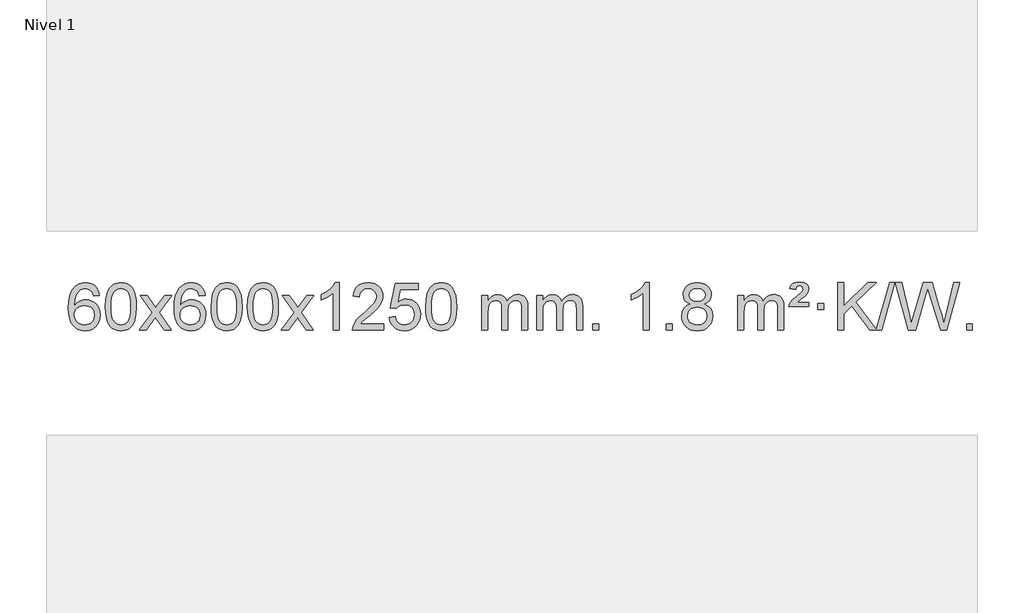
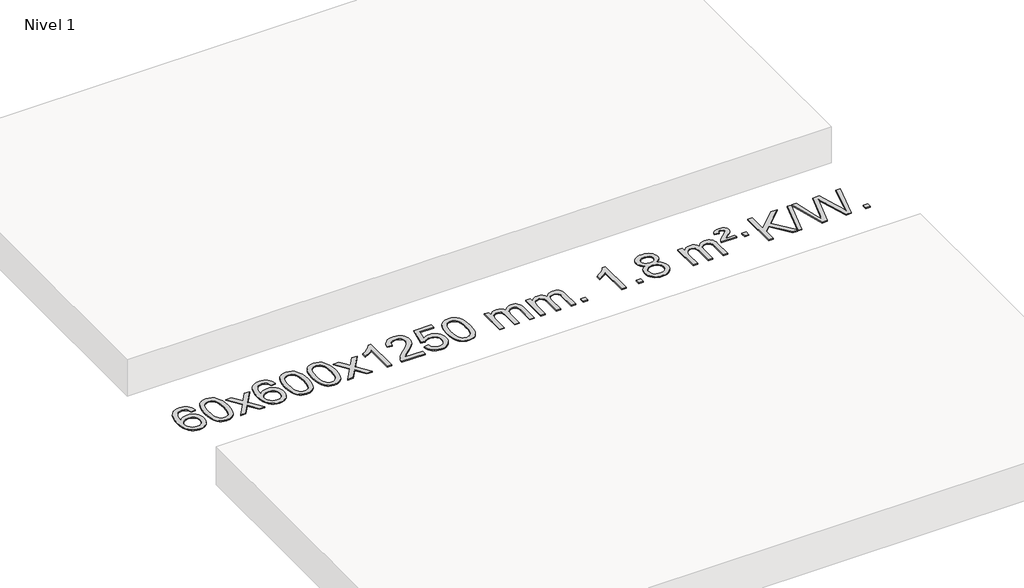
# One storey, part 7 of 7: 1 proxy.
"""IFC4 building model written with IfcOpenShell, lengths in millimetres."""

from ifc_helpers import new_model, si_unit, origin, origin_with_axes, place, context, project, spatial, polyline, outline, extrude, element, save

model = new_model("IFC4")

# Units and contexts
model_context = context("Model", 3, world=origin())
ifc_project = project(units=[si_unit("LENGTHUNIT", "METRE", prefix="MILLI")], contexts=[model_context])

# Site, building, storey
site = spatial("IfcSite", under=ifc_project)
building = spatial("IfcBuilding", under=site)
storey = spatial("IfcBuildingStorey", under=building, Name="Nivel 1", Elevation=0.0)

# Proxy
placement = place(None, origin())
element("IfcBuildingElementProxy", 1, Name="Texto de modelo 1", ObjectType="Texto de modelo 1", at=placement, inside=storey, context=model_context, shape_type="SweptSolid", body=[
    extrude(outline(polyline([(-12868.7310862, -689.5264458), (-12918.9592412, -695.8049652), (-12927.0526451, -670.9116168), (-12937.9910031, -653.9154687), (-12960.7751614, -638.2436957), (-12988.3172601, -633.0197713), (-13011.665504, -636.0609292), (-13033.6403219, -645.1844027), (-13052.5126682, -664.4001055), (-13067.9269238, -690.850821), (-13078.3379843, -728.2644199), (-13082.2007452, -780.3687731), (-13062.0530746, -756.8611137), (-13037.907753, -740.2941611), (-13011.113681, -730.4717119), (-12983.0197593, -727.1975621), (-12958.8867005, -729.4355109), (-12936.617577, -736.1493573), (-12916.212389, -747.3391013), (-12897.6711365, -763.004743), (-12882.2630122, -782.2143145), (-12871.2572092, -804.0358482), (-12864.6537274, -828.469344), (-12862.4525668, -855.514802), (-12866.5973706, -891.4813984), (-12879.031782, -924.8237699), (-12898.7257315, -953.1016326), (-12924.6491494, -973.8747026), (-12955.6248134, -986.6402078), (-12990.4755011, -990.8953763), (-13020.4180298, -988.0749476), (-13047.4604222, -979.6136617), (-13071.6026781, -965.5115186), (-13092.8447976, -945.7685182), (-13110.1628426, -919.5507947), (-13122.5328746, -886.0244822), (-13129.9548939, -845.1895807), (-13132.4289003, -797.0460903), (-13129.6820481, -743.0716702), (-13121.4414914, -697.006713), (-13107.7072302, -658.8512188), (-13088.4792646, -628.6051874), (-13067.6387496, -608.56175), (-13043.4750339, -594.2450091), (-13015.9881175, -585.6549645), (-12985.1780004, -582.7916163), (-12962.0443542, -584.5635812), (-12941.1057374, -589.879476), (-12922.3621497, -598.7393008), (-12905.8135913, -611.1430554), (-12891.9076519, -626.6738069), (-12881.0919212, -644.9146225), (-12873.3663993, -665.8655021), (-12868.7310862, -689.5264458)]), holes=[polyline([(-13082.2007452, -854.7299871), (-13079.2944775, -876.9868478), (-13070.5756742, -898.2381644), (-13057.0376168, -916.5096368), (-13039.6735866, -929.8269651), (-13018.7165756, -937.9571571), (-12994.3995757, -940.6672212), (-12961.253408, -935.0508894), (-12947.3382715, -928.0304746), (-12935.1951, -918.201894), (-12925.3450595, -905.9636863), (-12918.3093164, -891.7143904), (-12912.6807219, -857.1825337), (-12918.23574, -824.036366), (-12925.1795126, -810.4155351), (-12934.9007944, -798.7628729), (-12947.0807541, -789.4278673), (-12961.4005608, -782.7600061), (-12996.4597149, -777.4257172), (-13029.5568317, -782.7600061), (-13057.2338205, -798.7628729), (-13068.1568501, -810.2622509), (-13075.9590141, -823.4232293), (-13080.6403124, -838.245808), (-13082.2007452, -854.7299871)])]), origin_with_axes(), (0.0, 0.0, 1.0), 10.0),
    extrude(outline(polyline([(-12818.5029311, -786.9415981), (-12814.8118484, -722.6235626), (-12803.7386004, -671.3285498), (-12785.3935515, -632.2717446), (-12773.5354886, -617.0383643), (-12759.8870665, -604.6683323), (-12744.4023002, -595.097269), (-12727.0352044, -588.2607953), (-12686.654024, -582.7916163), (-12655.7028855, -586.0289778), (-12627.9891085, -595.7410625), (-12604.8125428, -611.5477256), (-12587.4730381, -633.0688223), (-12574.3764391, -660.1204117), (-12563.9285904, -692.5185527), (-12557.0859853, -733.6600225), (-12554.805117, -786.9415981), (-12558.4594114, -850.8917516), (-12569.4222949, -902.0641372), (-12587.6569791, -941.1577305), (-12599.487451, -956.437096), (-12613.1266759, -968.8715075), (-12628.6298363, -978.5069501), (-12646.0521145, -985.3894091), (-12686.654024, -990.8953763), (-12714.3187501, -988.5041433), (-12738.8442164, -981.3304444), (-12760.2304231, -969.3742795), (-12778.47737, -952.6356488), (-12795.988553, -922.3773547), (-12808.4965408, -884.6755815), (-12816.0013335, -839.5303293), (-12818.5029311, -786.9415981)]), holes=[polyline([(-12768.274776, -786.8434963), (-12766.803248, -830.5080234), (-12762.3886641, -865.8522861), (-12755.0310242, -892.8762843), (-12744.7303283, -911.5800181), (-12732.2713914, -924.3056694), (-12718.4390284, -933.3954204), (-12703.2332393, -938.849271), (-12686.654024, -940.6672212), (-12670.0748088, -938.8431396), (-12654.8690196, -933.3708949), (-12641.0366566, -924.2504871), (-12628.5777197, -911.4819162), (-12618.2770239, -892.7475256), (-12610.919384, -865.7296588), (-12606.5048, -830.4283156), (-12605.033272, -786.8434963), (-12606.4557491, -744.3347317), (-12610.7231802, -709.6128027), (-12617.8355655, -682.6777093), (-12627.7929048, -663.5294515), (-12640.0433752, -650.1814664), (-12654.0351538, -640.6471914), (-12669.7682404, -634.9266264), (-12687.2426352, -633.0197713), (-12703.7360113, -634.6997658), (-12718.6842831, -639.7397491), (-12732.0874504, -648.1397213), (-12743.9455134, -659.8996825), (-12754.5895658, -680.7463289), (-12762.1924604, -708.8525133), (-12766.7541971, -744.2182358), (-12768.274776, -786.8434963)])]), origin_with_axes(), (0.0, 0.0, 1.0), 10.0),
    extrude(outline(polyline([(-12529.6910394, -984.6168569), (-12422.3675987, -836.2868364), (-12523.41252, -689.5264458), (-12462.981771, -689.5264458), (-12414.2251439, -760.1597889), (-12391.4655111, -793.5144231), (-12371.7470362, -766.2421045), (-12316.2213804, -689.5264458), (-12255.7906313, -689.5264458), (-12361.9368496, -836.2868364), (-12259.7147059, -984.6168569), (-12320.145455, -984.6168569), (-12381.6553246, -895.4422612), (-12392.9370391, -879.1573516), (-12469.2602903, -984.6168569), (-12529.6910394, -984.6168569)])), origin_with_axes(), (0.0, 0.0, 1.0), 10.0),
    extrude(outline(polyline([(-11970.9028142, -689.5264458), (-12021.1309693, -695.8049652), (-12029.2243732, -670.9116168), (-12040.1627312, -653.9154687), (-12062.9468894, -638.2436957), (-12090.4889881, -633.0197713), (-12113.8372321, -636.0609292), (-12135.8120499, -645.1844027), (-12154.6843963, -664.4001055), (-12170.0986519, -690.850821), (-12180.5097123, -728.2644199), (-12184.3724733, -780.3687731), (-12164.2248027, -756.8611137), (-12140.0794811, -740.2941611), (-12113.2854091, -730.4717119), (-12085.1914874, -727.1975621), (-12061.0584285, -729.4355109), (-12038.7893051, -736.1493573), (-12018.3841171, -747.3391013), (-11999.8428645, -763.004743), (-11984.4347403, -782.2143145), (-11973.4289372, -804.0358482), (-11966.8254554, -828.469344), (-11964.6242948, -855.514802), (-11968.7690986, -891.4813984), (-11981.2035101, -924.8237699), (-12000.8974596, -953.1016326), (-12026.8208775, -973.8747026), (-12057.7965415, -986.6402078), (-12092.6472291, -990.8953763), (-12122.5897579, -988.0749476), (-12149.6321502, -979.6136617), (-12173.7744061, -965.5115186), (-12195.0165257, -945.7685182), (-12212.3345706, -919.5507947), (-12224.7046027, -886.0244822), (-12232.1266219, -845.1895807), (-12234.6006284, -797.0460903), (-12231.8537761, -743.0716702), (-12223.6132194, -697.006713), (-12209.8789583, -658.8512188), (-12190.6509927, -628.6051874), (-12169.8104776, -608.56175), (-12145.6467619, -594.2450091), (-12118.1598455, -585.6549645), (-12087.3497284, -582.7916163), (-12064.2160823, -584.5635812), (-12043.2774654, -589.879476), (-12024.5338777, -598.7393008), (-12007.9853193, -611.1430554), (-11994.0793799, -626.6738069), (-11983.2636492, -644.9146225), (-11975.5381274, -665.8655021), (-11970.9028142, -689.5264458)]), holes=[polyline([(-12184.3724733, -854.7299871), (-12181.4662055, -876.9868478), (-12172.7474022, -898.2381644), (-12159.2093448, -916.5096368), (-12141.8453146, -929.8269651), (-12120.8883036, -937.9571571), (-12096.5713038, -940.6672212), (-12063.425136, -935.0508894), (-12049.5099995, -928.0304746), (-12037.366828, -918.201894), (-12027.5167876, -905.9636863), (-12020.4810444, -891.7143904), (-12014.8524499, -857.1825337), (-12020.407468, -824.036366), (-12027.3512407, -810.4155351), (-12037.0725224, -798.7628729), (-12049.2524821, -789.4278673), (-12063.5722888, -782.7600061), (-12098.6314429, -777.4257172), (-12131.7285598, -782.7600061), (-12159.4055485, -798.7628729), (-12170.3285781, -810.2622509), (-12178.1307421, -823.4232293), (-12182.8120405, -838.245808), (-12184.3724733, -854.7299871)])]), origin_with_axes(), (0.0, 0.0, 1.0), 10.0),
    extrude(outline(polyline([(-11920.6746591, -786.9415981), (-11916.9835765, -722.6235626), (-11905.9103284, -671.3285498), (-11887.5652796, -632.2717446), (-11875.7072166, -617.0383643), (-11862.0587946, -604.6683323), (-11846.5740283, -595.097269), (-11829.2069324, -588.2607953), (-11788.8257521, -582.7916163), (-11757.8746135, -586.0289778), (-11730.1608366, -595.7410625), (-11706.9842709, -611.5477256), (-11689.6447662, -633.0688223), (-11676.5481671, -660.1204117), (-11666.1003185, -692.5185527), (-11659.2577134, -733.6600225), (-11656.976845, -786.9415981), (-11660.6311395, -850.8917516), (-11671.5940229, -902.0641372), (-11689.8287072, -941.1577305), (-11701.659179, -956.437096), (-11715.298404, -968.8715075), (-11730.8015644, -978.5069501), (-11748.2238425, -985.3894091), (-11788.8257521, -990.8953763), (-11816.4904781, -988.5041433), (-11841.0159444, -981.3304444), (-11862.4021511, -969.3742795), (-11880.6490981, -952.6356488), (-11898.160281, -922.3773547), (-11910.6682689, -884.6755815), (-11918.1730616, -839.5303293), (-11920.6746591, -786.9415981)]), holes=[polyline([(-11870.4465041, -786.8434963), (-11868.9749761, -830.5080234), (-11864.5603921, -865.8522861), (-11857.2027522, -892.8762843), (-11846.9020564, -911.5800181), (-11834.4431195, -924.3056694), (-11820.6107564, -933.3954204), (-11805.4049673, -938.849271), (-11788.8257521, -940.6672212), (-11772.2465368, -938.8431396), (-11757.0407477, -933.3708949), (-11743.2083847, -924.2504871), (-11730.7494478, -911.4819162), (-11720.4487519, -892.7475256), (-11713.091112, -865.7296588), (-11708.676528, -830.4283156), (-11707.2050001, -786.8434963), (-11708.6274771, -744.3347317), (-11712.8949083, -709.6128027), (-11720.0072935, -682.6777093), (-11729.9646328, -663.5294515), (-11742.2151033, -650.1814664), (-11756.2068818, -640.6471914), (-11771.9399685, -634.9266264), (-11789.4143633, -633.0197713), (-11805.9077394, -634.6997658), (-11820.8560111, -639.7397491), (-11834.2591785, -648.1397213), (-11846.1172414, -659.8996825), (-11856.7612938, -680.7463289), (-11864.3641884, -708.8525133), (-11868.9259251, -744.2182358), (-11870.4465041, -786.8434963)])]), origin_with_axes(), (0.0, 0.0, 1.0), 10.0),
    extrude(outline(polyline([(-11613.0272093, -786.9415981), (-11609.3361266, -722.6235626), (-11598.2628786, -671.3285498), (-11579.9178297, -632.2717446), (-11568.0597668, -617.0383643), (-11554.4113447, -604.6683323), (-11538.9265784, -595.097269), (-11521.5594826, -588.2607953), (-11481.1783022, -582.7916163), (-11450.2271637, -586.0289778), (-11422.5133867, -595.7410625), (-11399.336821, -611.5477256), (-11381.9973163, -633.0688223), (-11368.9007173, -660.1204117), (-11358.4528686, -692.5185527), (-11351.6102635, -733.6600225), (-11349.3293952, -786.9415981), (-11352.9836896, -850.8917516), (-11363.9465731, -902.0641372), (-11382.1812573, -941.1577305), (-11394.0117292, -956.437096), (-11407.6509541, -968.8715075), (-11423.1541145, -978.5069501), (-11440.5763927, -985.3894091), (-11481.1783022, -990.8953763), (-11508.8430283, -988.5041433), (-11533.3684946, -981.3304444), (-11554.7547013, -969.3742795), (-11573.0016482, -952.6356488), (-11590.5128312, -922.3773547), (-11603.020819, -884.6755815), (-11610.5256117, -839.5303293), (-11613.0272093, -786.9415981)]), holes=[polyline([(-11562.7990542, -786.8434963), (-11561.3275262, -830.5080234), (-11556.9129423, -865.8522861), (-11549.5553024, -892.8762843), (-11539.2546065, -911.5800181), (-11526.7956696, -924.3056694), (-11512.9633066, -933.3954204), (-11497.7575175, -938.849271), (-11481.1783022, -940.6672212), (-11464.599087, -938.8431396), (-11449.3932978, -933.3708949), (-11435.5609348, -924.2504871), (-11423.1019979, -911.4819162), (-11412.8013021, -892.7475256), (-11405.4436622, -865.7296588), (-11401.0290782, -830.4283156), (-11399.5575502, -786.8434963), (-11400.9800273, -744.3347317), (-11405.2474584, -709.6128027), (-11412.3598437, -682.6777093), (-11422.317183, -663.5294515), (-11434.5676534, -650.1814664), (-11448.559432, -640.6471914), (-11464.2925187, -634.9266264), (-11481.7669134, -633.0197713), (-11498.2602895, -634.6997658), (-11513.2085613, -639.7397491), (-11526.6117286, -648.1397213), (-11538.4697916, -659.8996825), (-11549.113844, -680.7463289), (-11556.7167386, -708.8525133), (-11561.2784753, -744.2182358), (-11562.7990542, -786.8434963)])]), origin_with_axes(), (0.0, 0.0, 1.0), 10.0),
    extrude(outline(polyline([(-11324.2153176, -984.6168569), (-11216.8918769, -836.2868364), (-11317.9367982, -689.5264458), (-11257.5060492, -689.5264458), (-11208.7494221, -760.1597889), (-11185.9897893, -793.5144231), (-11166.2713144, -766.2421045), (-11110.7456586, -689.5264458), (-11050.3149095, -689.5264458), (-11156.4611278, -836.2868364), (-11054.2389841, -984.6168569), (-11114.6697332, -984.6168569), (-11176.1796028, -895.4422612), (-11187.4613173, -879.1573516), (-11263.7845685, -984.6168569), (-11324.2153176, -984.6168569)])), origin_with_axes(), (0.0, 0.0, 1.0), 10.0),
    extrude(outline(polyline([(-10834.4908056, -984.6168569), (-10884.7189607, -984.6168569), (-10884.7189607, -671.4757026), (-10905.6882344, -688.4350626), (-10932.2983654, -705.3698971), (-10985.1752709, -730.7292293), (-10985.1752709, -683.2479264), (-10945.7260583, -661.7881434), (-10911.5498209, -636.2571329), (-10884.6085961, -609.1074417), (-10866.8644212, -582.7916163), (-10834.4908056, -582.7916163), (-10834.4908056, -984.6168569)])), origin_with_axes(), (0.0, 0.0, 1.0), 10.0),
    extrude(outline(polyline([(-10457.7796426, -934.3887018), (-10457.7796426, -984.6168569), (-10721.4774567, -984.6168569), (-10720.3738107, -966.9339956), (-10716.0818541, -949.9868984), (-10703.6964936, -922.9230463), (-10685.572174, -896.6685346), (-10659.3544505, -869.1877495), (-10622.6888783, -838.4450775), (-10568.4875977, -790.301587), (-10535.9668293, -754.7641863), (-10519.7064451, -725.9222379), (-10514.286317, -697.8651044), (-10519.3998768, -672.7142386), (-10534.740556, -651.8062786), (-10558.3217919, -637.7163982), (-10588.1570217, -633.0197713), (-10619.4883049, -637.6060336), (-10643.8298303, -651.3648202), (-10659.5383915, -673.2170107), (-10664.9707823, -702.0834846), (-10715.1989373, -695.8049652), (-10710.8793896, -669.8754159), (-10703.0220433, -647.2200164), (-10691.6268985, -627.8387666), (-10676.6939552, -611.7316666), (-10658.5665699, -599.0703946), (-10637.5880991, -590.0266288), (-10613.7585429, -584.6003694), (-10587.0779012, -582.7916163), (-10560.1581362, -584.8027045), (-10536.1998212, -590.8359692), (-10515.2029563, -600.8914104), (-10497.1675415, -614.9690281), (-10482.682188, -632.02649), (-10472.3355069, -651.0214636), (-10466.1274982, -671.9539492), (-10464.058162, -694.8239465), (-10466.2899794, -718.8466408), (-10472.9854317, -742.4524022), (-10484.8680202, -766.4628337), (-10502.661246, -791.6995386), (-10531.0249478, -821.829074), (-10574.6189643, -860.5179972), (-10632.400963, -908.8331659), (-10655.0624939, -934.3887018), (-10457.7796426, -934.3887018)])), origin_with_axes(), (0.0, 0.0, 1.0), 10.0),
    extrude(outline(polyline([(-10407.5514875, -877.8820273), (-10357.3233324, -871.603508), (-10348.1017571, -901.7575688), (-10332.0130512, -923.3522419), (-10309.1307911, -936.3384764), (-10279.5285532, -940.6672212), (-10260.3986894, -939.1619707), (-10243.5251686, -934.6462192), (-10228.9079907, -927.1199667), (-10216.5471556, -916.5832132), (-10206.718575, -903.5571249), (-10199.6981602, -888.5628679), (-10194.0818284, -852.6698479), (-10199.342541, -818.8737553), (-10205.9184316, -804.9555532), (-10215.1246786, -793.0239138), (-10226.9919386, -783.4528505), (-10241.5508686, -776.6163768), (-10278.7437383, -771.1471978), (-10303.1097891, -773.3299643), (-10322.8405268, -779.8782638), (-10338.5981389, -789.9091796), (-10351.044813, -802.5397947), (-10401.2729681, -796.2612753), (-10357.3233324, -589.0701357), (-10162.6892315, -589.0701357), (-10162.6892315, -639.2982907), (-10316.7091602, -639.2982907), (-10338.1934687, -749.9571949), (-10320.4676879, -737.2530033), (-10302.3127114, -728.1785808), (-10283.7285393, -722.7339272), (-10264.7151715, -720.9190427), (-10240.2540845, -723.1692543), (-10217.7856917, -729.9198889), (-10197.3099929, -741.1709466), (-10178.8269884, -756.9224273), (-10163.5261631, -776.2117066), (-10152.5970021, -798.0761598), (-10146.0395056, -822.5157871), (-10143.8536734, -849.5305882), (-10145.821842, -875.552108), (-10151.7263481, -899.7587433), (-10161.5671914, -922.1504941), (-10175.3443722, -942.7273604), (-10196.215544, -963.8008673), (-10220.5693321, -978.8533723), (-10248.4057364, -987.8848753), (-10279.7247569, -990.8953763), (-10305.6451092, -988.9609301), (-10329.0577325, -983.1575916), (-10349.9626268, -973.4853608), (-10368.3597923, -959.9442377), (-10383.666749, -943.2086726), (-10395.3010171, -923.9531159), (-10403.2625966, -902.1775674), (-10407.5514875, -877.8820273)])), origin_with_axes(), (0.0, 0.0, 1.0), 10.0),
    extrude(outline(polyline([(-10099.9040377, -786.9415981), (-10096.212955, -722.6235626), (-10085.1397069, -671.3285498), (-10066.7946581, -632.2717446), (-10054.9365951, -617.0383643), (-10041.2881731, -604.6683323), (-10025.8034068, -595.097269), (-10008.4363109, -588.2607953), (-9968.0551306, -582.7916163), (-9937.1039921, -586.0289778), (-9909.3902151, -595.7410625), (-9886.2136494, -611.5477256), (-9868.8741447, -633.0688223), (-9855.7775457, -660.1204117), (-9845.329697, -692.5185527), (-9838.4870919, -733.6600225), (-9836.2062235, -786.9415981), (-9839.860518, -850.8917516), (-9850.8234015, -902.0641372), (-9869.0580857, -941.1577305), (-9880.8885575, -956.437096), (-9894.5277825, -968.8715075), (-9910.0309429, -978.5069501), (-9927.4532211, -985.3894091), (-9968.0551306, -990.8953763), (-9995.7198566, -988.5041433), (-10020.245323, -981.3304444), (-10041.6315296, -969.3742795), (-10059.8784766, -952.6356488), (-10077.3896596, -922.3773547), (-10089.8976474, -884.6755815), (-10097.4024401, -839.5303293), (-10099.9040377, -786.9415981)]), holes=[polyline([(-10049.6758826, -786.8434963), (-10048.2043546, -830.5080234), (-10043.7897707, -865.8522861), (-10036.4321308, -892.8762843), (-10026.1314349, -911.5800181), (-10013.672498, -924.3056694), (-9999.840135, -933.3954204), (-9984.6343459, -938.849271), (-9968.0551306, -940.6672212), (-9951.4759154, -938.8431396), (-9936.2701262, -933.3708949), (-9922.4377632, -924.2504871), (-9909.9788263, -911.4819162), (-9899.6781304, -892.7475256), (-9892.3204905, -865.7296588), (-9887.9059066, -830.4283156), (-9886.4343786, -786.8434963), (-9887.8568557, -744.3347317), (-9892.1242868, -709.6128027), (-9899.236672, -682.6777093), (-9909.1940114, -663.5294515), (-9921.4444818, -650.1814664), (-9935.4362604, -640.6471914), (-9951.169347, -634.9266264), (-9968.6437418, -633.0197713), (-9985.1371179, -634.6997658), (-10000.0853897, -639.7397491), (-10013.488557, -648.1397213), (-10025.34662, -659.8996825), (-10035.9906724, -680.7463289), (-10043.5935669, -708.8525133), (-10048.1553037, -744.2182358), (-10049.6758826, -786.8434963)])]), origin_with_axes(), (0.0, 0.0, 1.0), 10.0),
    extrude(outline(polyline([(-9622.7365645, -984.6168569), (-9622.7365645, -689.5264458), (-9572.5084094, -689.5264458), (-9572.5084094, -738.0868692), (-9557.4007221, -715.7809575), (-9537.9765528, -698.3065628), (-9514.8980889, -687.0125855), (-9488.8275182, -683.2479264), (-9460.8930121, -687.0861619), (-9438.5012613, -698.6008684), (-9421.7748932, -717.0317563), (-9410.8365352, -741.6185363), (-9392.5282746, -716.0813945), (-9371.64484, -697.8405789), (-9348.1862315, -686.8960895), (-9322.1524489, -683.2479264), (-9302.0446322, -684.7654397), (-9284.3954935, -689.3179793), (-9269.2050328, -696.9055455), (-9256.4732501, -707.5281381), (-9246.4086118, -721.3083845), (-9239.2195845, -738.368912), (-9234.9061681, -758.7097207), (-9233.4683626, -782.3308105), (-9233.4683626, -984.6168569), (-9283.6965177, -984.6168569), (-9283.6965177, -803.9132208), (-9284.8614774, -778.860457), (-9288.3563563, -761.9746734), (-9294.9046558, -750.410916), (-9305.2298772, -741.3242307), (-9318.5104172, -735.4381188), (-9333.9246728, -733.4760815), (-9361.1356777, -738.5038021), (-9383.318962, -753.5869639), (-9391.924335, -765.1568526), (-9398.07103, -779.7556365), (-9402.988386, -818.0398895), (-9402.988386, -984.6168569), (-9453.2165411, -984.6168569), (-9453.2165411, -798.3214145), (-9456.1228088, -769.9209245), (-9464.8416121, -749.6628893), (-9480.1822913, -737.5227834), (-9502.9541868, -733.4760815), (-9522.3047798, -736.1738828), (-9540.1347938, -744.2672867), (-9554.8500736, -757.5600894), (-9564.8564639, -775.8560873), (-9570.595423, -801.239945), (-9572.5084094, -835.7963271), (-9572.5084094, -984.6168569), (-9622.7365645, -984.6168569)])), origin_with_axes(), (0.0, 0.0, 1.0), 10.0),
    extrude(outline(polyline([(-9158.12613, -984.6168569), (-9158.12613, -689.5264458), (-9107.8979749, -689.5264458), (-9107.8979749, -738.0868692), (-9092.7902877, -715.7809575), (-9073.3661183, -698.3065628), (-9050.2876545, -687.0125855), (-9024.2170838, -683.2479264), (-8996.2825776, -687.0861619), (-8973.8908268, -698.6008684), (-8957.1644588, -717.0317563), (-8946.2261008, -741.6185363), (-8927.9178402, -716.0813945), (-8907.0344056, -697.8405789), (-8883.575797, -686.8960895), (-8857.5420145, -683.2479264), (-8837.4341978, -684.7654397), (-8819.7850591, -689.3179793), (-8804.5945983, -696.9055455), (-8791.8628156, -707.5281381), (-8781.7981774, -721.3083845), (-8774.6091501, -738.368912), (-8770.2957337, -758.7097207), (-8768.8579282, -782.3308105), (-8768.8579282, -984.6168569), (-8819.0860833, -984.6168569), (-8819.0860833, -803.9132208), (-8820.2510429, -778.860457), (-8823.7459219, -761.9746734), (-8830.2942214, -750.410916), (-8840.6194427, -741.3242307), (-8853.8999827, -735.4381188), (-8869.3142383, -733.4760815), (-8896.5252433, -738.5038021), (-8918.7085276, -753.5869639), (-8927.3139006, -765.1568526), (-8933.4605956, -779.7556365), (-8938.3779516, -818.0398895), (-8938.3779516, -984.6168569), (-8988.6061066, -984.6168569), (-8988.6061066, -798.3214145), (-8991.5123744, -769.9209245), (-9000.2311777, -749.6628893), (-9015.5718569, -737.5227834), (-9038.3437524, -733.4760815), (-9057.6943453, -736.1738828), (-9075.5243594, -744.2672867), (-9090.2396392, -757.5600894), (-9100.2460294, -775.8560873), (-9105.9849886, -801.239945), (-9107.8979749, -835.7963271), (-9107.8979749, -984.6168569), (-9158.12613, -984.6168569)])), origin_with_axes(), (0.0, 0.0, 1.0), 10.0),
    extrude(outline(polyline([(-8680.9586568, -984.6168569), (-8680.9586568, -934.3887018), (-8630.7305017, -934.3887018), (-8630.7305017, -984.6168569), (-8680.9586568, -984.6168569)])), origin_with_axes(), (0.0, 0.0, 1.0), 10.0),
    extrude(outline(polyline([(-8203.7911836, -984.6168569), (-8254.0193387, -984.6168569), (-8254.0193387, -671.4757026), (-8274.9886124, -688.4350626), (-8301.5987434, -705.3698971), (-8354.4756488, -730.7292293), (-8354.4756488, -683.2479264), (-8315.0264362, -661.7881434), (-8280.8501989, -636.2571329), (-8253.9089741, -609.1074417), (-8236.1647992, -582.7916163), (-8203.7911836, -582.7916163), (-8203.7911836, -984.6168569)])), origin_with_axes(), (0.0, 0.0, 1.0), 10.0),
    extrude(outline(polyline([(-8059.3852378, -984.6168569), (-8059.3852378, -934.3887018), (-8009.1570827, -934.3887018), (-8009.1570827, -984.6168569), (-8059.3852378, -984.6168569)])), origin_with_axes(), (0.0, 0.0, 1.0), 10.0),
    extrude(outline(polyline([(-7854.3523391, -763.2990486), (-7881.244513, -750.0552967), (-7900.1168593, -732.1026554), (-7911.2636838, -709.8090065), (-7914.9792919, -683.542232), (-7912.9559409, -663.0573363), (-7906.885888, -644.2769604), (-7896.7691332, -627.2011045), (-7882.6056763, -611.8297684), (-7865.0760993, -599.1255769), (-7844.8609836, -590.0511543), (-7821.9603294, -584.6065008), (-7796.3741367, -582.7916163), (-7770.6653166, -584.6494203), (-7747.5929841, -590.2228326), (-7727.1571393, -599.511853), (-7709.3577821, -612.5164815), (-7694.9368079, -628.1882545), (-7684.636112, -645.4787082), (-7678.4556945, -664.3878428), (-7676.3955553, -684.9156581), (-7680.0621125, -710.336304), (-7691.0617842, -732.2498082), (-7709.5171976, -750.0920849), (-7735.5509801, -763.2990486), (-7704.6366298, -779.228339), (-7682.1345144, -802.6869475), (-7668.412516, -832.5467028), (-7663.8385165, -867.6794333), (-7666.1071222, -892.7321972), (-7672.9129391, -915.7002964), (-7684.2559673, -936.583731), (-7700.1362067, -955.382501), (-7719.7197916, -970.9193839), (-7742.1728561, -982.0171574), (-7767.4954001, -988.6758215), (-7795.6874236, -990.8953763), (-7823.8794472, -988.6666245), (-7849.2019912, -981.9803692), (-7871.6550556, -970.8366105), (-7891.2386405, -955.2353482), (-7907.11888, -936.3047539), (-7918.4619081, -915.1729989), (-7925.2677251, -891.8400834), (-7927.5363307, -866.3060072), (-7922.7783902, -829.8121133), (-7908.5045688, -799.7929425), (-7885.4506304, -777.2785644), (-7854.3523391, -763.2990486)]), holes=[polyline([(-7877.3081756, -864.5401736), (-7875.2112482, -883.7558765), (-7868.9204661, -902.3584427), (-7857.3076578, -918.5820387), (-7839.2446518, -930.6608309), (-7817.6131905, -938.1656236), (-7795.2950162, -940.6672212), (-7761.1065161, -935.4065086), (-7747.2128394, -928.830618), (-7735.4528783, -919.6243711), (-7719.4132233, -895.7243041), (-7714.0666716, -866.1098035), (-7719.5849015, -835.9925308), (-7736.1395913, -811.5651663), (-7748.2183835, -802.1228618), (-7762.3818403, -795.3783586), (-7796.9627479, -789.982756), (-7830.6730014, -795.3047822), (-7844.4103282, -801.9573149), (-7856.0691218, -811.2708607), (-7871.9984122, -835.2322414), (-7877.3081756, -864.5401736)]), polyline([(-7864.7511368, -685.01376), (-7860.2997647, -706.9395269), (-7846.9456483, -724.4507099), (-7825.081195, -735.9286281), (-7795.0988124, -739.7546009), (-7765.8154056, -735.9531536), (-7744.2820462, -724.5488117), (-7731.0382943, -707.62624), (-7726.6237104, -687.2701029), (-7731.1854471, -666.1414136), (-7744.8706574, -648.6670189), (-7766.6983224, -636.9315832), (-7795.6874236, -633.0197713), (-7824.8604658, -636.8457441), (-7846.6513427, -648.3236623), (-7860.2261883, -665.1481323), (-7864.7511368, -685.01376)])]), origin_with_axes(), (0.0, 0.0, 1.0), 10.0),
    extrude(outline(polyline([(-7450.3688575, -984.6168569), (-7450.3688575, -689.5264458), (-7400.1407024, -689.5264458), (-7400.1407024, -738.0868692), (-7385.0330151, -715.7809575), (-7365.6088458, -698.3065628), (-7342.530382, -687.0125855), (-7316.4598112, -683.2479264), (-7288.5253051, -687.0861619), (-7266.1335543, -698.6008684), (-7249.4071862, -717.0317563), (-7238.4688283, -741.6185363), (-7220.1605676, -716.0813945), (-7199.277133, -697.8405789), (-7175.8185245, -686.8960895), (-7149.784742, -683.2479264), (-7129.6769252, -684.7654397), (-7112.0277865, -689.3179793), (-7096.8373258, -696.9055455), (-7084.1055431, -707.5281381), (-7074.0409048, -721.3083845), (-7066.8518775, -738.368912), (-7062.5384611, -758.7097207), (-7061.1006556, -782.3308105), (-7061.1006556, -984.6168569), (-7111.3288107, -984.6168569), (-7111.3288107, -803.9132208), (-7112.4937704, -778.860457), (-7115.9886493, -761.9746734), (-7122.5369488, -750.410916), (-7132.8621702, -741.3242307), (-7146.1427102, -735.4381188), (-7161.5569658, -733.4760815), (-7188.7679707, -738.5038021), (-7210.951255, -753.5869639), (-7219.556628, -765.1568526), (-7225.703323, -779.7556365), (-7230.620679, -818.0398895), (-7230.620679, -984.6168569), (-7280.8488341, -984.6168569), (-7280.8488341, -798.3214145), (-7283.7551019, -769.9209245), (-7292.4739051, -749.6628893), (-7307.8145843, -737.5227834), (-7330.5864798, -733.4760815), (-7349.9370728, -736.1738828), (-7367.7670868, -744.2672867), (-7382.4823666, -757.5600894), (-7392.4887569, -775.8560873), (-7398.227716, -801.239945), (-7400.1407024, -835.7963271), (-7400.1407024, -984.6168569), (-7450.3688575, -984.6168569)])), origin_with_axes(), (0.0, 0.0, 1.0), 10.0),
    extrude(outline(polyline([(-7017.15102, -783.7042366), (-7013.3250472, -767.8853108), (-7004.9863887, -752.0173341), (-6983.4775547, -726.878731), (-6951.520872, -699.1404286), (-6907.3750326, -661.7636179), (-6900.2381219, -650.2366487), (-6897.8591517, -638.4153739), (-6899.7476126, -626.324319), (-6905.4129953, -616.538658), (-6914.7817234, -610.0639348), (-6927.7802206, -607.9056938), (-6940.214632, -609.5243746), (-6949.0683254, -614.3804169), (-6955.4939976, -623.8472469), (-6960.6443455, -639.2982907), (-7010.8725006, -633.0197713), (-7000.0322444, -607.8075919), (-6983.4039783, -590.247358), (-6959.6388014, -579.9466622), (-6927.3878131, -576.5130969), (-6891.6051577, -580.645638), (-6866.8589622, -593.0432612), (-6852.437988, -611.3760473), (-6847.6309966, -633.3140769), (-6851.7267495, -656.2208625), (-6864.0140081, -677.8523238), (-6884.5418234, -697.6689006), (-6921.0111919, -725.7260341), (-6946.6157788, -752.3116396), (-6847.6309966, -752.3116396), (-6847.6309966, -783.7042366), (-7017.15102, -783.7042366)])), origin_with_axes(), (0.0, 0.0, 1.0), 10.0),
    extrude(outline(polyline([(-6772.288764, -808.8183141), (-6772.288764, -758.590159), (-6722.0606089, -758.590159), (-6722.0606089, -808.8183141), (-6772.288764, -808.8183141)])), origin_with_axes(), (0.0, 0.0, 1.0), 10.0),
    extrude(outline(polyline([(-6331.4189809, -984.6168569), (-6484.8502984, -781.938403), (-6552.5405855, -846.4894304), (-6552.5405855, -984.6168569), (-6602.7687406, -984.6168569), (-6602.7687406, -582.7916163), (-6552.5405855, -582.7916163), (-6552.5405855, -779.4858564), (-6346.5266682, -582.7916163), (-6276.2857326, -582.7916163), (-6449.2393213, -747.9951576), (-6274.5857114, -978.5723371), (-6163.2723837, -582.7916163), (-6117.9493219, -582.7916163), (-6230.9626708, -984.6168569), (-6270.0072132, -984.6168569), (-6276.2857326, -984.6168569), (-6331.4189809, -984.6168569)])), origin_with_axes(), (0.0, 0.0, 1.0), 10.0),
    extrude(outline(polyline([(-6003.464445, -984.6168569), (-6113.0442286, -582.7916163), (-6061.2464437, -582.7916163), (-5997.6764349, -846.8818379), (-5978.0560618, -928.404488), (-5957.0622627, -856.299617), (-5877.403548, -582.7916163), (-5802.7480284, -582.7916163), (-5744.8679278, -781.0554862), (-5720.0726814, -854.6318852), (-5701.8012089, -928.404488), (-5682.7694471, -849.2362826), (-5618.6108271, -582.7916163), (-5566.8130422, -582.7916163), (-5676.4909277, -984.6168569), (-5730.152648, -984.6168569), (-5826.4886798, -674.6149623), (-5839.9286354, -631.3520396), (-5855.0363227, -683.4441302), (-5942.8374922, -984.6168569), (-6003.464445, -984.6168569)])), origin_with_axes(), (0.0, 0.0, 1.0), 10.0),
    extrude(outline(polyline([(-5510.3063677, -984.6168569), (-5510.3063677, -934.3887018), (-5460.0782126, -934.3887018), (-5460.0782126, -984.6168569), (-5510.3063677, -984.6168569)])), origin_with_axes(), (0.0, 0.0, 1.0), 10.0),
])

save(model, "model.ifc")
